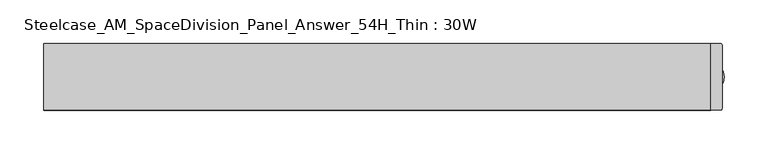
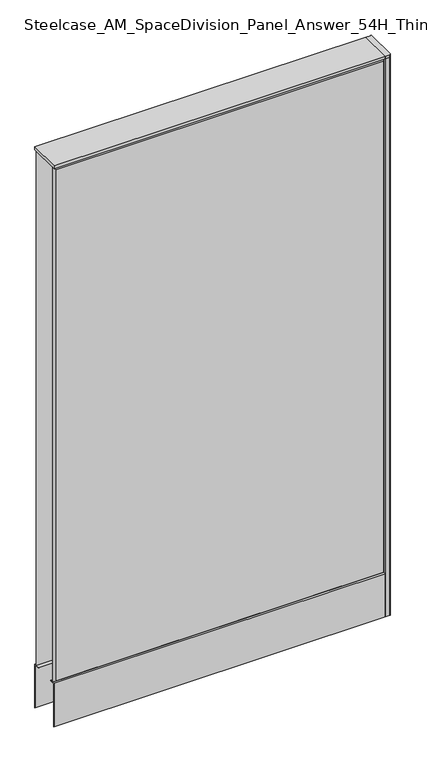
"""IFC4 building model written with IfcOpenShell, lengths in millimetres: furniture geometry, Steelcase_AM_SpaceDivision_Panel_Answer_54H_Thin : 30W."""

from ifc_helpers import new_model, si_unit, point, frame, frame_2d, origin, place, context, project, spatial, polyline, circle_curve, trimmed, segment, composite_curve, outline, extrude, faceted_brep, source, transform, mapped, element, save


def steelcase_am_spacedivision_panel_answer_54h_thin_30w_980469a8(model_context):
    return source(origin(), model_context, "Body", "SolidModel", [
        extrude(outline(polyline([(-37.3075215, 119.8575157), (-37.3075215, 15.494), (-38.1000194, 15.494), (-38.1000194, 120.65), (-25.4000011, 120.65), (-25.4000011, 119.8575157), (-37.3075215, 119.8575157)])), frame((-381.0, 0.0, 0.0), z_axis=(1.0, 0.0, 0.0), x_axis=(0.0, 1.0, 0.0)), (0.0, 0.0, 1.0), 762.0),
        extrude(outline(polyline([(37.3075215, 119.8575157), (25.4000011, 119.8575157), (25.4000011, 120.65), (38.1000194, 120.65), (38.1000194, 15.494), (37.3075215, 15.494), (37.3075215, 119.8575157)])), frame((-381.0, 0.0, 0.0), z_axis=(1.0, 0.0, 0.0), x_axis=(0.0, 1.0, 0.0)), (0.0, 0.0, 1.0), 762.0),
        extrude(outline(composite_curve([segment(trimmed(circle_curve(frame_2d((381.0, 1.94e-05)), 5.08), [point((386.08, 1.94e-05))], [point((375.92, 1.94e-05))], False, "CARTESIAN"), True, "CONTINUOUS"), segment(trimmed(circle_curve(frame_2d((381.0, 1.94e-05)), 5.08), [point((375.92, 1.94e-05))], [point((386.08, 1.94e-05))], False, "CARTESIAN"), True, "CONTINUOUS")], self_intersect=False)), frame((0.0, 0.0, 5.0799671), z_axis=(0.0, 0.0, 1.0), x_axis=(1.0, 0.0, 0.0)), (0.0, 0.0, 1.0), 10.414),
        extrude(outline(composite_curve([segment(trimmed(circle_curve(frame_2d((381.0, 1.94e-05)), 15.24), [point((396.24, 1.94e-05))], [point((365.76, 1.94e-05))], False, "CARTESIAN"), True, "CONTINUOUS"), segment(trimmed(circle_curve(frame_2d((381.0, 1.94e-05)), 15.24), [point((365.76, 1.94e-05))], [point((396.24, 1.94e-05))], False, "CARTESIAN"), True, "CONTINUOUS")], self_intersect=False)), frame((0.0, 0.0, -3.29e-05), z_axis=(0.0, 0.0, 1.0), x_axis=(1.0, 0.0, 0.0)), (0.0, 0.0, 1.0), 5.08),
        extrude(outline(composite_curve([segment(trimmed(circle_curve(frame_2d((391.922, -36.322)), 1.778), [point((393.7, -36.322))], [point((391.922, -38.1))], False, "CARTESIAN"), True, "CONTINUOUS"), segment(polyline([(391.922, -38.1), (381.0, -38.1), (381.0, 38.1), (391.922, 38.1)]), True, "CONTINUOUS"), segment(trimmed(circle_curve(frame_2d((391.922, 36.322)), 1.778), [point((391.922, 38.1))], [point((393.7, 36.322))], False, "CARTESIAN"), True, "CONTINUOUS"), segment(polyline([(393.7, 36.322), (393.7, -36.322)]), True, "CONTINUOUS")], self_intersect=False)), frame((0.0, 0.0, 1371.5999671), z_axis=(0.0, 0.0, 1.0), x_axis=(1.0, 0.0, 0.0)), (0.0, 0.0, 1.0), 6.35),
        extrude(outline(composite_curve([segment(trimmed(circle_curve(frame_2d((391.922, -36.322)), 1.778), [point((393.7, -36.322))], [point((391.922, -38.1))], False, "CARTESIAN"), True, "CONTINUOUS"), segment(polyline([(391.922, -38.1), (381.0, -38.1), (381.0, 38.1), (391.922, 38.1)]), True, "CONTINUOUS"), segment(trimmed(circle_curve(frame_2d((391.922, 36.322)), 1.778), [point((391.922, 38.1))], [point((393.7, 36.322))], False, "CARTESIAN"), True, "CONTINUOUS"), segment(polyline([(393.7, 36.322), (393.7, -36.322)]), True, "CONTINUOUS")], self_intersect=False)), frame((0.0, 0.0, 15.4939671), z_axis=(0.0, 0.0, 1.0), x_axis=(1.0, 0.0, 0.0)), (0.0, 0.0, 1.0), 1356.106),
        faceted_brep([(-376.174, -38.0960552, 1366.774), (-376.174, -38.0960552, 125.476), (376.174, -38.0960552, 125.476), (376.174, -38.0960552, 1366.774), (-381.0, -33.2700552, 1371.6), (381.0, -33.2700552, 1371.6), (381.0, -33.2700552, 120.65), (-381.0, -33.2700552, 120.65)], [[[0, 1, 2, 3]], [[4, 5, 6, 7]], [[4, 0, 3, 5]], [[5, 3, 2, 6]], [[6, 2, 1, 7]], [[7, 1, 0, 4]]]),
        faceted_brep([(376.174, 38.0960552, 1366.774), (376.174, 38.0960552, 125.476), (-376.174, 38.0960552, 125.476), (-376.174, 38.0960552, 1366.774), (381.0, 33.2700552, 1371.6), (-381.0, 33.2700552, 1371.6), (-381.0, 33.2700552, 120.65), (381.0, 33.2700552, 120.65)], [[[0, 1, 2, 3]], [[4, 5, 6, 7]], [[4, 0, 3, 5]], [[5, 3, 2, 6]], [[6, 2, 1, 7]], [[7, 1, 0, 4]]]),
        extrude(outline(polyline([(381.0, -38.1000194), (-381.0, -38.1000194), (-381.0, 38.1000194), (381.0, 38.1000194), (381.0, -38.1000194)])), frame((0.0, 0.0, 1371.6), z_axis=(0.0, 0.0, 1.0), x_axis=(1.0, 0.0, 0.0)), (0.0, 0.0, 1.0), 6.35),
    ])


if __name__ == "__main__":
    model = new_model("IFC4")
    model_context = context("Model", 3, world=origin())
    ifc_project = project(units=[si_unit("LENGTHUNIT", "METRE", prefix="MILLI")], contexts=[model_context])
    site = spatial("IfcSite", under=ifc_project)
    building = spatial("IfcBuilding", under=site)
    placement = place(None, origin())
    steelcase_am_spacedivision_panel_answer_54h_thin_30w_shape = steelcase_am_spacedivision_panel_answer_54h_thin_30w_980469a8(model_context)
    element("IfcFurniture", 1, ObjectType="Steelcase_AM_SpaceDivision_Panel_Answer_54H_Thin : 30W", at=placement, inside=building, context=model_context, shape_type="MappedRepresentation", body=[
        mapped(steelcase_am_spacedivision_panel_answer_54h_thin_30w_shape, transform((0.0, 0.0, 0.0), x_axis=(1.0, 0.0, 0.0), y_axis=(0.0, 1.0, 0.0), z_axis=(0.0, 0.0, 1.0))),
    ])
    save(model, "model.ifc")
